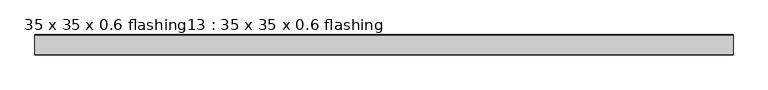
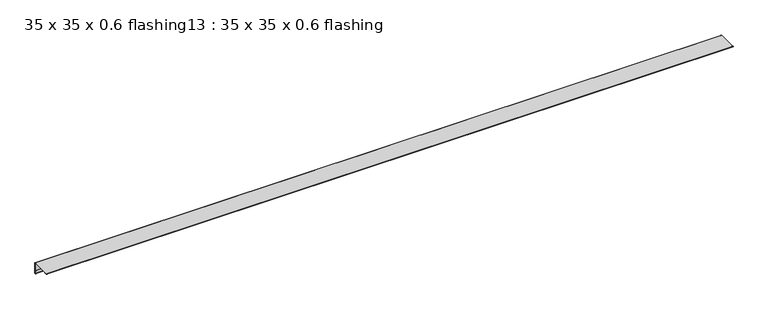
"""IFC4 building model written with IfcOpenShell, lengths in millimetres: proxy geometry, 35 x 35 x 0.6 flashing13 : 35 x 35 x 0.6 flashing."""

from ifc_helpers import new_model, si_unit, point, frame, frame_2d, origin, place, context, project, spatial, polyline, circle_curve, trimmed, segment, composite_curve, outline, extrude, source, transform, mapped, element, save


def proxy_35_x_35_x_0_6_flashing13_35_x_35_x_0_6_flashing_83723feb(model_context):
    return source(origin(), model_context, "Body", "SweptSolid", [
        extrude(outline(composite_curve([segment(trimmed(circle_curve(frame_2d((-1082.8701898, 1488.3887139)), 1.0), [point((-1081.8701898, 1488.3887139))], [point((-1083.8701898, 1488.3887139))], False, "CARTESIAN"), True, "CONTINUOUS"), segment(polyline([(-1083.8701898, 1488.3887139), (-1083.8701898, 1497.390498), (-1082.8701898, 1497.390498), (-1082.8701898, 1525.8887139)]), True, "CONTINUOUS"), segment(trimmed(circle_curve(frame_2d((-1084.3701898, 1525.8887139)), 1.5), [point((-1082.8701898, 1525.8887139))], [point((-1084.3701898, 1527.3887139))], True, "CARTESIAN"), True, "CONTINUOUS"), segment(polyline([(-1084.3701898, 1527.3887139), (-1141.8701898, 1527.3887139), (-1141.8701898, 1526.3887139), (-1150.9028672, 1526.3887139)]), True, "CONTINUOUS"), segment(trimmed(circle_curve(frame_2d((-1150.9028672, 1527.3887139)), 1.0), [point((-1150.9028672, 1526.3887139))], [point((-1150.9028672, 1528.3887139))], False, "CARTESIAN"), True, "CONTINUOUS"), segment(polyline([(-1150.9028672, 1528.3887139), (-1084.3701898, 1528.3887139)]), True, "CONTINUOUS"), segment(trimmed(circle_curve(frame_2d((-1084.3701898, 1525.8887139)), 2.5), [point((-1084.3701898, 1528.3887139))], [point((-1081.8701898, 1525.8887139))], False, "CARTESIAN"), True, "CONTINUOUS"), segment(polyline([(-1081.8701898, 1525.8887139), (-1081.8701898, 1488.3887139)]), True, "CONTINUOUS")], self_intersect=False)), frame((-2519.6640929, 0.0, 0.0), z_axis=(1.0, 0.0, 0.0), x_axis=(0.0, 1.0, 0.0)), (0.0, 0.0, 1.0), 2410.6438934),
    ])


if __name__ == "__main__":
    model = new_model("IFC4")
    model_context = context("Model", 3, world=origin())
    ifc_project = project(units=[si_unit("LENGTHUNIT", "METRE", prefix="MILLI")], contexts=[model_context])
    site = spatial("IfcSite", under=ifc_project)
    building = spatial("IfcBuilding", under=site)
    placement = place(None, origin())
    proxy_35_x_35_x_0_6_flashing13_35_x_35_x_0_6_flashing_shape = proxy_35_x_35_x_0_6_flashing13_35_x_35_x_0_6_flashing_83723feb(model_context)
    element("IfcBuildingElementProxy", 1, Name="35 x 35 x 0.6 flashing13 : 35 x 35 x 0.6 flashing", ObjectType="35 x 35 x 0.6 flashing13 : 35 x 35 x 0.6 flashing", at=placement, inside=building, context=model_context, shape_type="MappedRepresentation", body=[
        mapped(proxy_35_x_35_x_0_6_flashing13_35_x_35_x_0_6_flashing_shape, transform((0.0, 0.0, 0.0), x_axis=(1.0, 0.0, 0.0), y_axis=(0.0, 1.0, 0.0), z_axis=(0.0, 0.0, 1.0))),
    ])
    save(model, "model.ifc")
